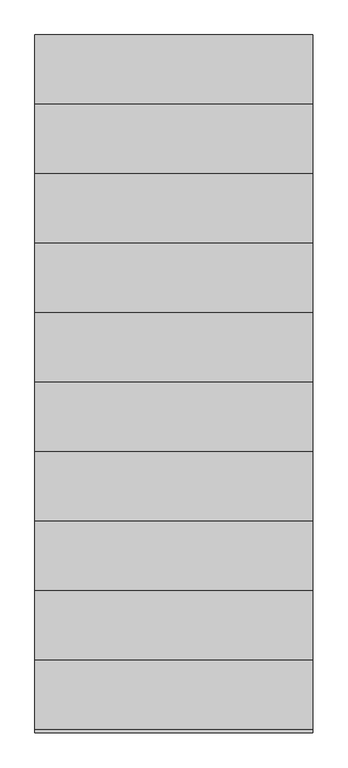
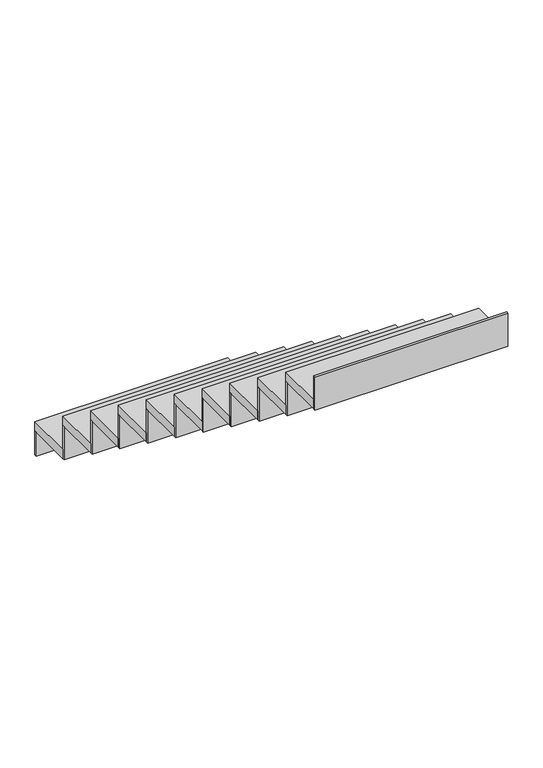
"""IFC4 building model written with IfcOpenShell, lengths in millimetres: stair flight geometry."""

from ifc_helpers import new_model, si_unit, frame, origin, place, context, project, spatial, polyline, outline, extrude, source, transform, mapped, element, save


def stair_flight_b9b62e92(model_context):
    return source(origin(), model_context, "Body", "SweptSolid", [
        extrude(outline(polyline([(28653.4838539, 1508.1436791), (28653.4838539, 1520.6436791), (29653.4838539, 1520.6436791), (29653.4838539, 1508.1436791), (28653.4838539, 1508.1436791)])), frame((0.0, 0.0, 6000.0), z_axis=(0.0, 0.0, 1.0), x_axis=(1.0, 0.0, 0.0)), (0.0, 0.0, 1.0), 131.8181818),
        extrude(outline(polyline([(29653.4838539, 1270.6436791), (28653.4838539, 1270.6436791), (28653.4838539, 1520.6436791), (29653.4838539, 1520.6436791), (29653.4838539, 1270.6436791)])), frame((0.0, 0.0, 6131.8181818), z_axis=(0.0, 0.0, 1.0), x_axis=(1.0, 0.0, 0.0)), (0.0, 0.0, 1.0), 50.0),
        extrude(outline(polyline([(28653.4838539, 1258.1436791), (28653.4838539, 1270.6436791), (29653.4838539, 1270.6436791), (29653.4838539, 1258.1436791), (28653.4838539, 1258.1436791)])), frame((0.0, 0.0, 6131.8181818), z_axis=(0.0, 0.0, 1.0), x_axis=(1.0, 0.0, 0.0)), (0.0, 0.0, 1.0), 181.8181818),
        extrude(outline(polyline([(29653.4838539, 1020.6436791), (28653.4838539, 1020.6436791), (28653.4838539, 1270.6436791), (29653.4838539, 1270.6436791), (29653.4838539, 1020.6436791)])), frame((0.0, 0.0, 6313.6363636), z_axis=(0.0, 0.0, 1.0), x_axis=(1.0, 0.0, 0.0)), (0.0, 0.0, 1.0), 50.0),
        extrude(outline(polyline([(28653.4838539, 1008.1436791), (28653.4838539, 1020.6436791), (29653.4838539, 1020.6436791), (29653.4838539, 1008.1436791), (28653.4838539, 1008.1436791)])), frame((0.0, 0.0, 6313.6363636), z_axis=(0.0, 0.0, 1.0), x_axis=(1.0, 0.0, 0.0)), (0.0, 0.0, 1.0), 181.8181818),
        extrude(outline(polyline([(29653.4838539, 770.6436791), (28653.4838539, 770.6436791), (28653.4838539, 1020.6436791), (29653.4838539, 1020.6436791), (29653.4838539, 770.6436791)])), frame((0.0, 0.0, 6495.4545455), z_axis=(0.0, 0.0, 1.0), x_axis=(1.0, 0.0, 0.0)), (0.0, 0.0, 1.0), 50.0),
        extrude(outline(polyline([(28653.4838539, 758.1436791), (28653.4838539, 770.6436791), (29653.4838539, 770.6436791), (29653.4838539, 758.1436791), (28653.4838539, 758.1436791)])), frame((0.0, 0.0, 6495.4545455), z_axis=(0.0, 0.0, 1.0), x_axis=(1.0, 0.0, 0.0)), (0.0, 0.0, 1.0), 181.8181818),
        extrude(outline(polyline([(29653.4838539, 520.6436791), (28653.4838539, 520.6436791), (28653.4838539, 770.6436791), (29653.4838539, 770.6436791), (29653.4838539, 520.6436791)])), frame((0.0, 0.0, 6677.2727273), z_axis=(0.0, 0.0, 1.0), x_axis=(1.0, 0.0, 0.0)), (0.0, 0.0, 1.0), 50.0),
        extrude(outline(polyline([(28653.4838539, 508.1436791), (28653.4838539, 520.6436791), (29653.4838539, 520.6436791), (29653.4838539, 508.1436791), (28653.4838539, 508.1436791)])), frame((0.0, 0.0, 6677.2727273), z_axis=(0.0, 0.0, 1.0), x_axis=(1.0, 0.0, 0.0)), (0.0, 0.0, 1.0), 181.8181818),
        extrude(outline(polyline([(29653.4838539, 270.6436791), (28653.4838539, 270.6436791), (28653.4838539, 520.6436791), (29653.4838539, 520.6436791), (29653.4838539, 270.6436791)])), frame((0.0, 0.0, 6859.0909091), z_axis=(0.0, 0.0, 1.0), x_axis=(1.0, 0.0, 0.0)), (0.0, 0.0, 1.0), 50.0),
        extrude(outline(polyline([(28653.4838539, 258.1436791), (28653.4838539, 270.6436791), (29653.4838539, 270.6436791), (29653.4838539, 258.1436791), (28653.4838539, 258.1436791)])), frame((0.0, 0.0, 6859.0909091), z_axis=(0.0, 0.0, 1.0), x_axis=(1.0, 0.0, 0.0)), (0.0, 0.0, 1.0), 181.8181818),
        extrude(outline(polyline([(29653.4838539, 20.6436791), (28653.4838539, 20.6436791), (28653.4838539, 270.6436791), (29653.4838539, 270.6436791), (29653.4838539, 20.6436791)])), frame((0.0, 0.0, 7040.9090909), z_axis=(0.0, 0.0, 1.0), x_axis=(1.0, 0.0, 0.0)), (0.0, 0.0, 1.0), 50.0),
        extrude(outline(polyline([(28653.4838539, 8.1436791), (28653.4838539, 20.6436791), (29653.4838539, 20.6436791), (29653.4838539, 8.1436791), (28653.4838539, 8.1436791)])), frame((0.0, 0.0, 7040.9090909), z_axis=(0.0, 0.0, 1.0), x_axis=(1.0, 0.0, 0.0)), (0.0, 0.0, 1.0), 181.8181818),
        extrude(outline(polyline([(29653.4838539, -229.3563209), (28653.4838539, -229.3563209), (28653.4838539, 20.6436791), (29653.4838539, 20.6436791), (29653.4838539, -229.3563209)])), frame((0.0, 0.0, 7222.7272727), z_axis=(0.0, 0.0, 1.0), x_axis=(1.0, 0.0, 0.0)), (0.0, 0.0, 1.0), 50.0),
        extrude(outline(polyline([(28653.4838539, -241.8563209), (28653.4838539, -229.3563209), (29653.4838539, -229.3563209), (29653.4838539, -241.8563209), (28653.4838539, -241.8563209)])), frame((0.0, 0.0, 7222.7272727), z_axis=(0.0, 0.0, 1.0), x_axis=(1.0, 0.0, 0.0)), (0.0, 0.0, 1.0), 181.8181818),
        extrude(outline(polyline([(29653.4838539, -479.3563209), (28653.4838539, -479.3563209), (28653.4838539, -229.3563209), (29653.4838539, -229.3563209), (29653.4838539, -479.3563209)])), frame((0.0, 0.0, 7404.5454545), z_axis=(0.0, 0.0, 1.0), x_axis=(1.0, 0.0, 0.0)), (0.0, 0.0, 1.0), 50.0),
        extrude(outline(polyline([(28653.4838539, -491.8563209), (28653.4838539, -479.3563209), (29653.4838539, -479.3563209), (29653.4838539, -491.8563209), (28653.4838539, -491.8563209)])), frame((0.0, 0.0, 7404.5454545), z_axis=(0.0, 0.0, 1.0), x_axis=(1.0, 0.0, 0.0)), (0.0, 0.0, 1.0), 181.8181818),
        extrude(outline(polyline([(29653.4838539, -729.3563209), (28653.4838539, -729.3563209), (28653.4838539, -479.3563209), (29653.4838539, -479.3563209), (29653.4838539, -729.3563209)])), frame((0.0, 0.0, 7586.3636364), z_axis=(0.0, 0.0, 1.0), x_axis=(1.0, 0.0, 0.0)), (0.0, 0.0, 1.0), 50.0),
        extrude(outline(polyline([(28653.4838539, -741.8563209), (28653.4838539, -729.3563209), (29653.4838539, -729.3563209), (29653.4838539, -741.8563209), (28653.4838539, -741.8563209)])), frame((0.0, 0.0, 7586.3636364), z_axis=(0.0, 0.0, 1.0), x_axis=(1.0, 0.0, 0.0)), (0.0, 0.0, 1.0), 181.8181818),
        extrude(outline(polyline([(28653.4838539, -991.8563209), (28653.4838539, -979.3563209), (29653.4838539, -979.3563209), (29653.4838539, -991.8563209), (28653.4838539, -991.8563209)])), frame((0.0, 0.0, 7768.1818182), z_axis=(0.0, 0.0, 1.0), x_axis=(1.0, 0.0, 0.0)), (0.0, 0.0, 1.0), 181.8181818),
        extrude(outline(polyline([(29653.4838539, -979.3563209), (28653.4838539, -979.3563209), (28653.4838539, -729.3563209), (29653.4838539, -729.3563209), (29653.4838539, -979.3563209)])), frame((0.0, 0.0, 7768.1818182), z_axis=(0.0, 0.0, 1.0), x_axis=(1.0, 0.0, 0.0)), (0.0, 0.0, 1.0), 50.0),
    ])


if __name__ == "__main__":
    model = new_model("IFC4")
    model_context = context("Model", 3, world=origin())
    ifc_project = project(units=[si_unit("LENGTHUNIT", "METRE", prefix="MILLI")], contexts=[model_context])
    site = spatial("IfcSite", under=ifc_project)
    building = spatial("IfcBuilding", under=site)
    placement = place(None, origin())
    stair_flight_shape = stair_flight_b9b62e92(model_context)
    element("IfcStairFlight", 1, at=placement, inside=building, context=model_context, shape_type="MappedRepresentation", body=[
        mapped(stair_flight_shape, transform((0.0, 0.0, 0.0), x_axis=(1.0, 0.0, 0.0), y_axis=(0.0, 1.0, 0.0), z_axis=(0.0, 0.0, 1.0))),
    ])
    save(model, "model.ifc")
